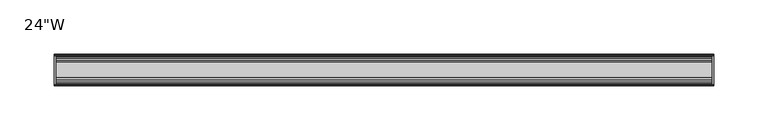
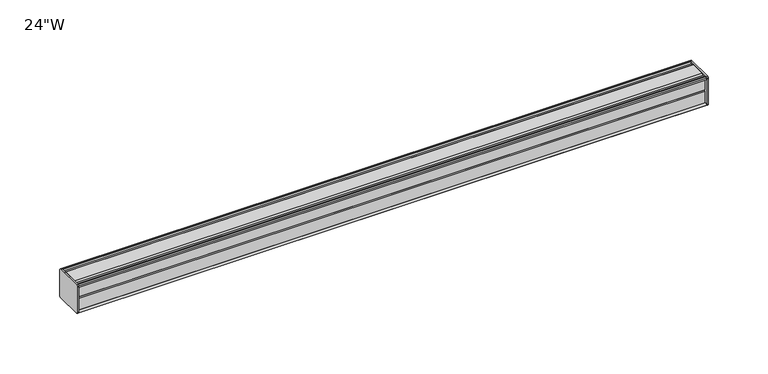
"""IFC4 building model written with IfcOpenShell, lengths in millimetres: furniture geometry."""

import ifcopenshell
import ifcopenshell.guid

model = None  # the IFC model being written
_history = None  # IfcOwnerHistory: only IFC2X3 demands one
_inside = {}  # id of a spatial element -> (the spatial element, [elements in it])
_under = {}  # id of a project, library or spatial element -> (it, [spatial elements below it])
_declared = {}  # id of a project -> (the project, [libraries it declares])
_typed = {}  # id of a type object -> (the type object, [elements of that type])
_made_of = {}  # id of a material, layer set ... -> (it, [elements and type objects made of it])


def new_model(schema):
    """Start an empty IFC model of exactly this schema.

    Asked for "IFC4X3", IfcOpenShell would pick the latest addendum, in which some entities
    have other attributes; the version numbers below select the first issue.
    IFC2X3 requires an IfcOwnerHistory on every rooted entity: one is made here for all.
    """
    global model, _history
    if schema == "IFC4X3":
        model = ifcopenshell.file(schema_version=(4, 3, 0, 0))
    else:
        model = ifcopenshell.file(schema=schema)
    _inside.clear()
    _under.clear()
    _declared.clear()
    _typed.clear()
    _made_of.clear()
    _history = None
    if model.schema == "IFC2X3":
        org = make("IfcOrganization", Name="unknown")
        user = make(
            "IfcPersonAndOrganization",
            ThePerson=make("IfcPerson", FamilyName="unknown"),
            TheOrganization=org,
        )
        app = make(
            "IfcApplication",
            ApplicationDeveloper=org,
            Version="unknown",
            ApplicationFullName="unknown",
            ApplicationIdentifier="unknown",
        )
        _history = make(
            "IfcOwnerHistory",
            OwningUser=user,
            OwningApplication=app,
            ChangeAction="ADDED",
            CreationDate=0,
        )
    return model


def make(cls, **values):
    """One entity of the class cls with the attributes given. An attribute that is None is left unset."""
    return model.create_entity(
        cls, **{name: value for name, value in values.items() if value is not None}
    )


def rooted(cls, **values):
    """An entity with a GlobalId (a new one), such as an element, a storey or a relation."""
    return make(cls, GlobalId=ifcopenshell.guid.new(), OwnerHistory=_history, **values)


def si_unit(unit_type, name, prefix=None):
    """IfcSIUnit, for example si_unit("LENGTHUNIT", "METRE", prefix="MILLI")."""
    return make("IfcSIUnit", UnitType=unit_type, Prefix=prefix, Name=name)


def assignment(units):
    """IfcUnitAssignment: the units of a project."""
    return None if units is None else make("IfcUnitAssignment", Units=units)


def point(xyz):
    """IfcCartesianPoint."""
    return None if xyz is None else make("IfcCartesianPoint", Coordinates=xyz)


def direction(xyz):
    """IfcDirection."""
    return None if xyz is None else make("IfcDirection", DirectionRatios=xyz)


def frame(location, z_axis=None, x_axis=None):
    """IfcAxis2Placement3D, a coordinate frame: its origin and axes. An axis left out is left unset."""
    return make(
        "IfcAxis2Placement3D",
        Location=point(location),
        Axis=direction(z_axis),
        RefDirection=direction(x_axis),
    )


def origin():
    """The frame at (0, 0, 0) with its axes left unset."""
    return frame((0.0, 0.0, 0.0))


def place(relative_to, where):
    """IfcLocalPlacement: puts the frame where relative to a parent placement (None: the world)."""
    return make(
        "IfcLocalPlacement", PlacementRelTo=relative_to, RelativePlacement=where
    )


def context(
    kind, dimensions, precision=None, world=None, true_north=None, identifier=None
):
    """IfcGeometricRepresentationContext, for example the 3D "Model" context."""
    return make(
        "IfcGeometricRepresentationContext",
        ContextIdentifier=identifier,
        ContextType=kind,
        CoordinateSpaceDimension=dimensions,
        Precision=precision,
        WorldCoordinateSystem=world,
        TrueNorth=true_north,
    )


def project(units=None, contexts=None):
    """IfcProject with its units and contexts."""
    return rooted(
        "IfcProject",
        Name="project",
        RepresentationContexts=contexts,
        UnitsInContext=assignment(units),
    )


def spatial(cls, under=None, at=None, **own):
    """A site, building, storey or space (cls), placed at a placement, below another one or the project."""
    s = rooted(cls, ObjectPlacement=at, **own)
    if under is not None:
        _under.setdefault(under.id(), (under, []))[1].append(s)
    return s


def circle_curve(where, radius):
    """IfcCircle in the frame where."""
    return make("IfcCircle", Position=where, Radius=radius)


def shape(context_of_items, identifier, shape_type, items):
    """IfcShapeRepresentation: the items that make up one representation, for example the "Body"."""
    return make(
        "IfcShapeRepresentation",
        ContextOfItems=context_of_items,
        RepresentationIdentifier=identifier,
        RepresentationType=shape_type,
        Items=items,
    )


def source(mapping_origin, context_of_items, identifier, shape_type, items):
    """IfcRepresentationMap: a shape defined once, which mapped items show again and again."""
    return make(
        "IfcRepresentationMap",
        MappingOrigin=mapping_origin,
        MappedRepresentation=shape(context_of_items, identifier, shape_type, items),
    )


def transform(
    local_origin,
    x_axis=None,
    y_axis=None,
    z_axis=None,
    scale=None,
    scale2=None,
    scale3=None,
    uniform=True,
):
    """IfcCartesianTransformationOperator3D, or its non-uniform kind. x_axis, y_axis, z_axis: its Axis1, 2, 3."""
    if uniform:
        return make(
            "IfcCartesianTransformationOperator3D",
            Axis1=direction(x_axis),
            Axis2=direction(y_axis),
            LocalOrigin=point(local_origin),
            Scale=scale,
            Axis3=direction(z_axis),
        )
    return make(
        "IfcCartesianTransformationOperator3DnonUniform",
        Axis1=direction(x_axis),
        Axis2=direction(y_axis),
        LocalOrigin=point(local_origin),
        Scale=scale,
        Axis3=direction(z_axis),
        Scale2=scale2,
        Scale3=scale3,
    )


def mapped(mapping_source, mapping_target):
    """IfcMappedItem: shows the shape of a source again, moved by a transform."""
    return make(
        "IfcMappedItem", MappingSource=mapping_source, MappingTarget=mapping_target
    )


def made_of(thing, what):
    """Note that an element or type object is made of a material, layer set ...; save() writes the relation."""
    if what is not None:
        _made_of.setdefault(what.id(), (what, []))[1].append(thing)
    return thing


def element(
    cls,
    number,
    at=None,
    inside=None,
    cuts=None,
    type_object=None,
    material=None,
    context=None,
    identifier="Body",
    shape_type=None,
    held_by="IfcProductDefinitionShape",
    body=None,
    shapes=None,
    **own,
):
    """One element of the class cls, such as IfcWall. Its Tag is "e" and its number.

    at: its placement. inside: the storey or other place that contains it. cuts: it is an
    opening in that element (IfcRelVoidsElement). A single representation is given by context,
    identifier, shape_type and body (its items); several are given by shapes. held_by: the class
    of the entity that holds the representations. save() writes the other relations.
    """
    e = rooted(cls, Tag="e%d" % number, ObjectPlacement=at, **own)
    if body is not None:
        shapes = [shape(context, identifier, shape_type, body)]
    if shapes is not None:
        e.Representation = make(held_by, Representations=shapes)
    if inside is not None:
        _inside.setdefault(inside.id(), (inside, []))[1].append(e)
    if cuts is not None:
        rooted(
            "IfcRelVoidsElement", RelatingBuildingElement=cuts, RelatedOpeningElement=e
        )
    if type_object is not None:
        _typed.setdefault(type_object.id(), (type_object, []))[1].append(e)
    return made_of(e, material)


def aggregate(whole, parts):
    """IfcRelAggregates: a whole, such as a stair, and the parts it consists of."""
    return rooted("IfcRelAggregates", RelatingObject=whole, RelatedObjects=parts)


def save(model, path):
    """Write the relations noted so far, then the file.

    IfcRelAggregates (storeys below a building ...), IfcRelContainedInSpatialStructure (elements
    in a storey), IfcRelDefinesByType, IfcRelAssociatesMaterial and IfcRelDeclares: one each for
    every whole, place, type object, material and project.
    """
    for whole, parts in _under.values():
        aggregate(whole, parts)
    for where, things in _inside.values():
        rooted(
            "IfcRelContainedInSpatialStructure",
            RelatedElements=things,
            RelatingStructure=where,
        )
    for kind, things in _typed.values():
        rooted("IfcRelDefinesByType", RelatedObjects=things, RelatingType=kind)
    for what, things in _made_of.values():
        rooted("IfcRelAssociatesMaterial", RelatedObjects=things, RelatingMaterial=what)
    for by, libraries in _declared.values():
        rooted("IfcRelDeclares", RelatingContext=by, RelatedDefinitions=libraries)
    model.write(path)


def plane_surface(at):
    """IfcPlane: the flat surface through the origin of the frame at, square to its z axis."""
    return make("IfcPlane", Position=at)


def cylinder_surface(at, radius):
    """IfcCylindricalSurface: all points at the distance radius from the z axis of the frame at."""
    return make("IfcCylindricalSurface", Position=at, Radius=radius)


def advanced_brep(points, edges, surfaces, faces):
    """IfcAdvancedBrep: a solid bounded by faces that lie on surfaces and meet in shared edges.

    An edge is (start, end): straight between two places in points (the first is 0);
    or (start, end, curve); or (start, end, curve, False) where it runs against its curve.
    A face is (place in surfaces, loops), or (place, loops, False) where it looks against
    its surface's normal. A loop lists edges by number (the first is 1), with a minus sign
    where the edge is run from its end to its start. The first loop is the outer one.
    """
    corners = [point(p) for p in points]
    vertices = [make("IfcVertexPoint", VertexGeometry=c) for c in corners]
    made = []
    for start, end, *more in edges:
        made.append(
            make(
                "IfcEdgeCurve",
                EdgeStart=vertices[start],
                EdgeEnd=vertices[end],
                EdgeGeometry=more[0] if more else make("IfcPolyline", Points=[corners[start], corners[end]]),
                SameSense=more[1] if len(more) > 1 else True,
            )
        )
    hull = []
    for where, loops, *sense in faces:
        bounds = []
        for j, loop in enumerate(loops):
            ring = [make("IfcOrientedEdge", EdgeElement=made[abs(k) - 1], Orientation=k > 0) for k in loop]
            bounds.append(
                make(
                    "IfcFaceOuterBound" if j == 0 else "IfcFaceBound",
                    Bound=make("IfcEdgeLoop", EdgeList=ring),
                    Orientation=True,
                )
            )
        hull.append(make("IfcAdvancedFace", Bounds=bounds, FaceSurface=surfaces[where], SameSense=sense[0] if sense else True))
    return make("IfcAdvancedBrep", Outer=make("IfcClosedShell", CfsFaces=hull))


def furniture_b3a57ba0(model_context):
    return source(origin(), model_context, "Body", "AdvancedBrep", [
        advanced_brep(
        [(303.2125, 14.5851562, 1424.7436262), (303.2125, 14.5851562, 1398.5932877), (303.2125, 14.4138595, 1397.7873997), (303.2125, 13.8374434, 1397.2109837), (303.2125, 12.9019306, 1396.9603131), (303.2125, -13.4067434, 1396.9603131), (303.2125, -14.3040014, 1397.8575711), (303.2125, -14.5851563, 1398.6259798), (303.2125, -14.5851563, 1424.5443327), (303.2125, -14.3040014, 1425.3127414), (303.2125, -13.4464303, 1426.1703125), (303.2125, 13.0500437, 1426.1703125), (303.2125, 13.8374434, 1425.9593288), (303.2125, 14.4138595, 1425.3829128), (304.8, 14.6248431, 1424.5955131), (304.8, 14.4138595, 1425.3829128), (304.8, 13.8374434, 1425.9593288), (304.8, 13.0500437, 1426.1703125), (304.8, -13.4464303, 1426.1703125), (304.8, -14.3040014, 1425.3127414), (304.8, -14.5851563, 1424.5443327), (304.8, -14.5851563, 1398.6259798), (304.8, -14.3040014, 1397.8575711), (304.8, -13.4067434, 1396.9603131), (304.8, 12.9019306, 1396.9603131), (304.8, 13.8374434, 1397.2109837), (304.8, 14.4138595, 1397.7873997), (304.8, 14.5851562, 1398.5932877)],
        [
            (0, 1),
            (1, 2),
            (2, 3),
            (3, 4),
            (4, 5),
            (5, 6),
            (6, 7, circle_curve(frame((303.2125, -13.3945313, 1398.6259798), z_axis=(-1.0, 0.0, 0.0), x_axis=(0.0, 1.0, 0.0)), 1.190625)),
            (7, 8),
            (8, 9, circle_curve(frame((303.2125, -13.3945313, 1424.5443327), z_axis=(-1.0, 0.0, 0.0), x_axis=(0.0, 1.0, 0.0)), 1.190625)),
            (9, 10),
            (10, 11),
            (11, 12),
            (12, 13),
            (13, 0),
            (14, 15),
            (15, 16),
            (16, 17),
            (17, 18),
            (18, 19),
            (19, 20, circle_curve(frame((304.8, -13.3945313, 1424.5443327), z_axis=(1.0, 0.0, 0.0), x_axis=(0.0, 1.0, 0.0)), 1.190625)),
            (20, 21),
            (21, 22, circle_curve(frame((304.8, -13.3945313, 1398.6259798), z_axis=(1.0, 0.0, 0.0), x_axis=(0.0, 1.0, 0.0)), 1.190625)),
            (22, 23),
            (23, 24),
            (24, 25),
            (25, 26),
            (26, 27),
            (27, 14),
            (13, 15),
            (14, 0),
            (12, 16),
            (11, 17),
            (10, 18),
            (9, 19),
            (8, 20),
            (7, 21),
            (6, 22),
            (5, 23),
            (4, 24),
            (3, 25),
            (2, 26),
            (1, 27),
        ],
        [
            plane_surface(frame((303.2125, 14.5851562, 1398.5932877), z_axis=(-1.0, 0.0, 0.0), x_axis=(0.0, 0.0, -1.0))),
            plane_surface(frame((304.8, 14.5851562, 1398.5932877), z_axis=(1.0, 0.0, 0.0), x_axis=(0.0, 0.0, 1.0))),
            plane_surface(frame((303.2125, 14.4138595, 1425.3829128), z_axis=(0.0, 0.9659256560349851, 0.25881968049857335), x_axis=(1.0, 0.0, 0.0))),
            plane_surface(frame((303.2125, 13.8374434, 1425.9593288), z_axis=(0.0, 0.7071067811866345, 0.7071067811864606), x_axis=(1.0, 0.0, 0.0))),
            plane_surface(frame((303.2125, 13.0500437, 1426.1703125), z_axis=(0.0, 0.2588196804711877, 0.9659256560423232), x_axis=(1.0, 0.0, 0.0))),
            plane_surface(frame((303.2125, -13.4464303, 1426.1703125), z_axis=(0.0, 0.0, 1.0), x_axis=(1.0, 0.0, 0.0))),
            plane_surface(frame((303.2125, -14.3040014, 1425.3127414), z_axis=(0.0, -0.70710678117674, 0.7071067811963553), x_axis=(1.0, 0.0, 0.0))),
            cylinder_surface(frame((304.8, -13.3945313, 1424.5443327), z_axis=(-1.0, 0.0, 0.0), x_axis=(0.0, 1.0, 0.0)), 1.190625),
            plane_surface(frame((303.2125, -14.5851563, 1398.6259798), z_axis=(0.0, -1.0, 0.0), x_axis=(1.0, 0.0, 0.0))),
            cylinder_surface(frame((304.8, -13.3945313, 1398.6259798), z_axis=(-1.0, 0.0, 0.0), x_axis=(0.0, 1.0, 0.0)), 1.190625),
            plane_surface(frame((303.2125, -13.4067434, 1396.9603131), z_axis=(0.0, -0.7071067811916553, -0.7071067811814398), x_axis=(1.0, 0.0, 0.0))),
            plane_surface(frame((303.2125, 12.9019306, 1396.9603131), z_axis=(0.0, 0.0, -1.0), x_axis=(1.0, 0.0, 0.0))),
            plane_surface(frame((303.2125, 13.8374434, 1397.2109837), z_axis=(0.0, 0.2588196804985645, -0.9659256560349875), x_axis=(1.0, 0.0, 0.0))),
            plane_surface(frame((303.2125, 14.4138595, 1397.7873997), z_axis=(0.0, 0.7071067811865204, -0.7071067811865748), x_axis=(1.0, 0.0, 0.0))),
            plane_surface(frame((303.2125, 14.5851562, 1398.5932877), z_axis=(0.0, 0.9781476007310527, -0.207911690830711), x_axis=(1.0, 0.0, 0.0))),
            plane_surface(frame((303.2125, 14.5851562, 1424.7436262), z_axis=(0.0, 1.0, 0.0), x_axis=(1.0, 0.0, 0.0))),
        ],
        [
            (0, [[1, 2, 3, 4, 5, 6, 7, 8, 9, 10, 11, 12, 13, 14]]),
            (1, [[15, 16, 17, 18, 19, 20, 21, 22, 23, 24, 25, 26, 27, 28]]),
            (2, [[-14, 29, -15, 30]]),
            (3, [[-13, 31, -16, -29]]),
            (4, [[-12, 32, -17, -31]]),
            (5, [[-11, 33, -18, -32]]),
            (6, [[-10, 34, -19, -33]]),
            (7, [[-9, 35, -20, -34]]),
            (8, [[-8, 36, -21, -35]]),
            (9, [[-7, 37, -22, -36]]),
            (10, [[-6, 38, -23, -37]]),
            (11, [[-5, 39, -24, -38]]),
            (12, [[-4, 40, -25, -39]]),
            (13, [[-3, 41, -26, -40]]),
            (14, [[-2, 42, -27, -41]]),
            (15, [[-1, -30, -28, -42]]),
        ],
    ),
        advanced_brep(
        [(-303.2125, 14.6248431, 1424.5955131), (-303.2125, 14.4138595, 1425.3829128), (-303.2125, 13.8374434, 1425.9593288), (-303.2125, 13.0500437, 1426.1703125), (-303.2125, -13.4464303, 1426.1703125), (-303.2125, -14.3040014, 1425.3127414), (-303.2125, -14.5851563, 1424.5443327), (-303.2125, -14.5851563, 1398.6259798), (-303.2125, -14.3040014, 1397.8575711), (-303.2125, -13.4067434, 1396.9603131), (-303.2125, 12.9019306, 1396.9603131), (-303.2125, 13.8374434, 1397.2109837), (-303.2125, 14.4138595, 1397.7873997), (-303.2125, 14.5851562, 1398.5932877), (-304.8, 14.5851562, 1424.7436262), (-304.8, 14.5851562, 1398.5932877), (-304.8, 14.4138595, 1397.7873997), (-304.8, 13.8374434, 1397.2109837), (-304.8, 12.9019306, 1396.9603131), (-304.8, -13.4067434, 1396.9603131), (-304.8, -14.3040014, 1397.8575711), (-304.8, -14.5851563, 1398.6259798), (-304.8, -14.5851563, 1424.5443327), (-304.8, -14.3040014, 1425.3127414), (-304.8, -13.4464303, 1426.1703125), (-304.8, 13.0500437, 1426.1703125), (-304.8, 13.8374434, 1425.9593288), (-304.8, 14.4138595, 1425.3829128)],
        [
            (0, 1),
            (1, 2),
            (2, 3),
            (3, 4),
            (4, 5),
            (5, 6, circle_curve(frame((-303.2125, -13.3945313, 1424.5443327), z_axis=(1.0, 0.0, 0.0), x_axis=(0.0, 1.0, 0.0)), 1.190625)),
            (6, 7),
            (7, 8, circle_curve(frame((-303.2125, -13.3945313, 1398.6259798), z_axis=(1.0, 0.0, 0.0), x_axis=(0.0, 1.0, 0.0)), 1.190625)),
            (8, 9),
            (9, 10),
            (10, 11),
            (11, 12),
            (12, 13),
            (13, 0),
            (14, 15),
            (15, 16),
            (16, 17),
            (17, 18),
            (18, 19),
            (19, 20),
            (20, 21, circle_curve(frame((-304.8, -13.3945313, 1398.6259798), z_axis=(-1.0, 0.0, 0.0), x_axis=(0.0, 1.0, 0.0)), 1.190625)),
            (21, 22),
            (22, 23, circle_curve(frame((-304.8, -13.3945313, 1424.5443327), z_axis=(-1.0, 0.0, 0.0), x_axis=(0.0, 1.0, 0.0)), 1.190625)),
            (23, 24),
            (24, 25),
            (25, 26),
            (26, 27),
            (27, 14),
            (0, 14),
            (27, 1),
            (26, 2),
            (25, 3),
            (24, 4),
            (23, 5),
            (22, 6),
            (21, 7),
            (20, 8),
            (19, 9),
            (18, 10),
            (17, 11),
            (16, 12),
            (15, 13),
        ],
        [
            plane_surface(frame((-303.2125, 14.6248431, 1424.5955131), z_axis=(1.0, 0.0, 0.0), x_axis=(0.0, -0.2588196804389644, 0.9659256560509574))),
            plane_surface(frame((-304.8, 14.6248431, 1424.5955131), z_axis=(-1.0, 0.0, 0.0), x_axis=(0.0, 0.2588196804389644, -0.9659256560509574))),
            plane_surface(frame((-303.2125, 14.6248431, 1424.5955131), z_axis=(0.0, 0.9659256560509574, 0.2588196804389644), x_axis=(-1.0, 0.0, 0.0))),
            plane_surface(frame((-303.2125, 14.4138595, 1425.3829128), z_axis=(0.0, 0.7071067810674612, 0.7071067813056339), x_axis=(-1.0, 0.0, 0.0))),
            plane_surface(frame((-303.2125, 13.8374434, 1425.9593288), z_axis=(0.0, 0.25881968048355775, 0.9659256560390086), x_axis=(-1.0, 0.0, 0.0))),
            plane_surface(frame((-303.2125, 13.0500437, 1426.1703125), z_axis=(0.0, 0.0, 1.0), x_axis=(-1.0, 0.0, 0.0))),
            plane_surface(frame((-303.2125, -13.4464303, 1426.1703125), z_axis=(0.0, -0.7071067811881345, 0.7071067811849606), x_axis=(-1.0, 0.0, 0.0))),
            cylinder_surface(frame((-304.8, -13.3945313, 1424.5443327), z_axis=(1.0, 0.0, 0.0), x_axis=(0.0, 1.0, 0.0)), 1.190625),
            plane_surface(frame((-303.2125, -14.5851563, 1424.5443327), z_axis=(0.0, -1.0, 0.0), x_axis=(-1.0, 0.0, 0.0))),
            cylinder_surface(frame((-304.8, -13.3945313, 1398.6259798), z_axis=(1.0, 0.0, 0.0), x_axis=(0.0, 1.0, 0.0)), 1.190625),
            plane_surface(frame((-303.2125, -14.3040014, 1397.8575711), z_axis=(0.0, -0.707106781186535, -0.7071067811865601), x_axis=(-1.0, 0.0, 0.0))),
            plane_surface(frame((-303.2125, -13.4067434, 1396.9603131), z_axis=(0.0, 0.0, -1.0), x_axis=(-1.0, 0.0, 0.0))),
            plane_surface(frame((-303.2125, 12.9019306, 1396.9603131), z_axis=(0.0, 0.25881968049856513, -0.9659256560349874), x_axis=(-1.0, 0.0, 0.0))),
            plane_surface(frame((-303.2125, 13.8374434, 1397.2109837), z_axis=(0.0, 0.707106781186519, -0.7071067811865761), x_axis=(-1.0, 0.0, 0.0))),
            plane_surface(frame((-303.2125, 14.4138595, 1397.7873997), z_axis=(0.0, 0.9781476007314348, -0.20791169082891317), x_axis=(-1.0, 0.0, 0.0))),
            plane_surface(frame((-303.2125, 14.5851562, 1398.5932877), z_axis=(0.0, 1.0, 0.0), x_axis=(-1.0, 0.0, 0.0))),
        ],
        [
            (0, [[1, 2, 3, 4, 5, 6, 7, 8, 9, 10, 11, 12, 13, 14]]),
            (1, [[15, 16, 17, 18, 19, 20, 21, 22, 23, 24, 25, 26, 27, 28]]),
            (2, [[-1, 29, -28, 30]]),
            (3, [[-2, -30, -27, 31]]),
            (4, [[-3, -31, -26, 32]]),
            (5, [[-4, -32, -25, 33]]),
            (6, [[-5, -33, -24, 34]]),
            (7, [[-6, -34, -23, 35]]),
            (8, [[-7, -35, -22, 36]]),
            (9, [[-8, -36, -21, 37]]),
            (10, [[-9, -37, -20, 38]]),
            (11, [[-10, -38, -19, 39]]),
            (12, [[-11, -39, -18, 40]]),
            (13, [[-12, -40, -17, 41]]),
            (14, [[-13, -41, -16, 42]]),
            (15, [[-14, -42, -15, -29]]),
        ],
    ),
        advanced_brep(
        [(303.2125, -7.3748315, 1426.1703125), (303.2125, -8.9105708, 1425.1395796), (303.2125, -10.7601399, 1425.1395796), (303.2125, -12.2958792, 1426.1703125), (303.2125, -13.4464303, 1426.1703125), (303.2125, -14.3040014, 1425.3127414), (303.2125, -13.3945313, 1423.3537077), (303.2125, -13.3945313, 1424.265312), (303.2125, -12.2039063, 1424.265312), (303.2125, -12.2039063, 1412.3590632), (303.2125, -11.4101564, 1411.5653134), (303.2125, -12.2039063, 1410.7715636), (303.2125, -12.2039063, 1398.8653131), (303.2125, -13.3945313, 1398.8653131), (303.2125, -13.3945313, 1399.8166048), (303.2125, -14.3040014, 1397.8575711), (303.2125, -13.4067434, 1396.9603131), (303.2125, -12.2958792, 1396.9603131), (303.2125, -10.7601399, 1397.9910471), (303.2125, -8.9105708, 1397.9910471), (303.2125, -7.4339628, 1397.0), (303.2125, 7.4145184, 1397.0), (303.2125, 8.9502576, 1398.0307329), (303.2125, 10.7998291, 1398.0307329), (303.2125, 12.2275037, 1397.0), (303.2125, 13.0500437, 1397.0), (303.2125, 13.8374434, 1397.2109837), (303.2125, 14.4138595, 1397.7873997), (303.2125, 14.5851562, 1398.5932877), (303.2125, 14.5851562, 1424.7436262), (303.2125, 14.4138595, 1425.3829128), (303.2125, 13.8374434, 1425.9593288), (303.2125, 13.0500437, 1426.1703125), (303.2125, 12.2275037, 1426.1703125), (303.2125, 10.7998291, 1425.1395796), (303.2125, 8.9502576, 1425.1395796), (303.2125, 7.4145184, 1426.1703125), (-303.2125, -7.3748315, 1426.1703125), (-303.2125, 7.4145184, 1426.1703125), (-303.2125, 8.9502576, 1425.1395796), (-303.2125, 10.7998291, 1425.1395796), (-303.2125, 12.2275037, 1426.1703125), (-303.2125, 13.0500437, 1426.1703125), (-303.2125, 13.8374434, 1425.9593288), (-303.2125, 14.4138595, 1425.3829128), (-303.2125, 14.6248431, 1424.5955131), (-303.2125, 14.5851562, 1398.5932877), (-303.2125, 14.4138595, 1397.7873997), (-303.2125, 13.8374434, 1397.2109837), (-303.2125, 13.0500437, 1397.0), (-303.2125, 12.2275037, 1397.0), (-303.2125, 10.7998291, 1398.0307329), (-303.2125, 8.9502576, 1398.0307329), (-303.2125, 7.4145184, 1397.0), (-303.2125, -7.4339628, 1397.0), (-303.2125, -8.9105708, 1397.9910471), (-303.2125, -10.7601399, 1397.9910471), (-303.2125, -12.2958792, 1396.9603131), (-303.2125, -13.4067434, 1396.9603131), (-303.2125, -14.3040014, 1397.8575711), (-303.2125, -13.3945313, 1399.8166048), (-303.2125, -13.3945313, 1398.8653131), (-303.2125, -12.2039063, 1398.8653131), (-303.2125, -12.2039063, 1410.7715636), (-303.2125, -11.4101564, 1411.5653134), (-303.2125, -12.2039063, 1412.3590632), (-303.2125, -12.2039063, 1424.265312), (-303.2125, -13.3945313, 1424.265312), (-303.2125, -13.3945313, 1423.3537077), (-303.2125, -14.3040014, 1425.3127414), (-303.2125, -13.4464303, 1426.1703125), (-303.2125, -12.2958792, 1426.1703125), (-303.2125, -10.7601399, 1425.1395796), (-303.2125, -8.9105708, 1425.1395796)],
        [
            (0, 1),
            (1, 2),
            (2, 3),
            (3, 4),
            (4, 5),
            (5, 6, circle_curve(frame((303.2125, -13.3945313, 1424.5443327), z_axis=(1.0, 0.0, 0.0), x_axis=(0.0, 1.0, 0.0)), 1.190625)),
            (6, 7),
            (7, 8),
            (8, 9),
            (9, 10),
            (10, 11),
            (11, 12),
            (12, 13),
            (13, 14),
            (14, 15, circle_curve(frame((303.2125, -13.3945313, 1398.6259798), z_axis=(1.0, 0.0, 0.0), x_axis=(0.0, 1.0, 0.0)), 1.190625)),
            (15, 16),
            (16, 17),
            (17, 18),
            (18, 19),
            (19, 20),
            (20, 21),
            (21, 22),
            (22, 23),
            (23, 24),
            (24, 25),
            (25, 26),
            (26, 27),
            (27, 28),
            (28, 29),
            (29, 30),
            (30, 31),
            (31, 32),
            (32, 33),
            (33, 34),
            (34, 35),
            (35, 36),
            (36, 0),
            (37, 38),
            (38, 39),
            (39, 40),
            (40, 41),
            (41, 42),
            (42, 43),
            (43, 44),
            (44, 45),
            (45, 46),
            (46, 47),
            (47, 48),
            (48, 49),
            (49, 50),
            (50, 51),
            (51, 52),
            (52, 53),
            (53, 54),
            (54, 55),
            (55, 56),
            (56, 57),
            (57, 58),
            (58, 59),
            (59, 60, circle_curve(frame((-303.2125, -13.3945313, 1398.6259798), z_axis=(-1.0, 0.0, 0.0), x_axis=(0.0, 1.0, 0.0)), 1.190625)),
            (60, 61),
            (61, 62),
            (62, 63),
            (63, 64),
            (64, 65),
            (65, 66),
            (66, 67),
            (67, 68),
            (68, 69, circle_curve(frame((-303.2125, -13.3945313, 1424.5443327), z_axis=(-1.0, 0.0, 0.0), x_axis=(0.0, 1.0, 0.0)), 1.190625)),
            (69, 70),
            (70, 71),
            (71, 72),
            (72, 73),
            (73, 37),
            (0, 37),
            (73, 1),
            (72, 2),
            (71, 3),
            (70, 4),
            (69, 5),
            (68, 6),
            (67, 7),
            (66, 8),
            (65, 9),
            (64, 10),
            (63, 11),
            (62, 12),
            (61, 13),
            (60, 14),
            (59, 15),
            (58, 16),
            (57, 17),
            (56, 18),
            (55, 19),
            (54, 20),
            (53, 21),
            (52, 22),
            (51, 23),
            (50, 24),
            (49, 25),
            (48, 26),
            (47, 27),
            (46, 28),
            (45, 29),
            (44, 30),
            (43, 31),
            (42, 32),
            (41, 33),
            (40, 34),
            (39, 35),
            (38, 36),
        ],
        [
            plane_surface(frame((303.2125, -7.3748315, 1426.1703125), z_axis=(1.0, 0.0, 0.0), x_axis=(0.0, -0.8303227972604669, -0.5572827400427486))),
            plane_surface(frame((-303.2125, -7.3748315, 1426.1703125), z_axis=(-1.0, 0.0, 0.0), x_axis=(0.0, 0.8303227972604669, 0.5572827400427486))),
            plane_surface(frame((303.2125, -7.3748315, 1426.1703125), z_axis=(0.0, -0.5572827400427486, 0.8303227972604669), x_axis=(-1.0, 0.0, 0.0))),
            plane_surface(frame((303.2125, -8.9105708, 1425.1395796), z_axis=(0.0, 0.0, 1.0), x_axis=(-1.0, 0.0, 0.0))),
            plane_surface(frame((303.2125, -10.7601399, 1425.1395796), z_axis=(0.0, 0.5572827400427491, 0.8303227972604665), x_axis=(-1.0, 0.0, 0.0))),
            plane_surface(frame((303.2125, -12.2958792, 1426.1703125), z_axis=(0.0, 0.0, 1.0), x_axis=(-1.0, 0.0, 0.0))),
            plane_surface(frame((303.2125, -13.4464303, 1426.1703125), z_axis=(0.0, -0.7071067811811023, 0.7071067811919929), x_axis=(-1.0, 0.0, 0.0))),
            cylinder_surface(frame((-303.2125, -13.3945313, 1424.5443327), z_axis=(1.0, 0.0, 0.0), x_axis=(0.0, 1.0, 0.0)), 1.190625),
            plane_surface(frame((303.2125, -13.3945313, 1423.3537077), z_axis=(0.0, 1.0, 0.0), x_axis=(-1.0, 0.0, 0.0))),
            plane_surface(frame((303.2125, -13.3945313, 1424.265312), z_axis=(0.0, 0.0, -1.0), x_axis=(-1.0, 0.0, 0.0))),
            plane_surface(frame((303.2125, -12.2039063, 1424.265312), z_axis=(0.0, -1.0, 0.0), x_axis=(-1.0, 0.0, 0.0))),
            plane_surface(frame((303.2125, -12.2039063, 1412.3590632), z_axis=(0.0, -0.7071067811865136, -0.7071067811865814), x_axis=(-1.0, 0.0, 0.0))),
            plane_surface(frame((303.2125, -11.4101564, 1411.5653134), z_axis=(0.0, -0.7071067811865522, 0.7071067811865428), x_axis=(-1.0, 0.0, 0.0))),
            plane_surface(frame((303.2125, -12.2039063, 1410.7715636), z_axis=(0.0, -1.0, 0.0), x_axis=(-1.0, 0.0, 0.0))),
            plane_surface(frame((303.2125, -12.2039063, 1398.8653131), z_axis=(0.0, 0.0, 1.0), x_axis=(-1.0, 0.0, 0.0))),
            plane_surface(frame((303.2125, -13.3945313, 1398.8653131), z_axis=(0.0, 1.0, 0.0), x_axis=(-1.0, 0.0, 0.0))),
            cylinder_surface(frame((-303.2125, -13.3945313, 1398.6259798), z_axis=(1.0, 0.0, 0.0), x_axis=(0.0, 1.0, 0.0)), 1.190625),
            plane_surface(frame((303.2125, -14.3040014, 1397.8575711), z_axis=(0.0, -0.7071067811865825, -0.7071067811865125), x_axis=(-1.0, 0.0, 0.0))),
            plane_surface(frame((303.2125, -13.4067434, 1396.9603131), z_axis=(0.0, 0.0, -1.0), x_axis=(-1.0, 0.0, 0.0))),
            plane_surface(frame((303.2125, -12.2958792, 1396.9603131), z_axis=(0.0, 0.5572831632988446, -0.8303225131860712), x_axis=(-1.0, 0.0, 0.0))),
            plane_surface(frame((303.2125, -10.7601399, 1397.9910471), z_axis=(0.0, 0.0, -1.0), x_axis=(-1.0, 0.0, 0.0))),
            plane_surface(frame((303.2125, -8.9105708, 1397.9910471), z_axis=(0.0, -0.5572831633038827, -0.8303225131826898), x_axis=(-1.0, 0.0, 0.0))),
            plane_surface(frame((303.2125, -7.4339628, 1397.0), z_axis=(0.0, 0.0, -1.0), x_axis=(-1.0, 0.0, 0.0))),
            plane_surface(frame((303.2125, 7.4145184, 1397.0), z_axis=(0.0, 0.5572827400524374, -0.8303227972539642), x_axis=(-1.0, 0.0, 0.0))),
            plane_surface(frame((303.2125, 8.9502576, 1398.0307329), z_axis=(0.0, 0.0, -1.0), x_axis=(-1.0, 0.0, 0.0))),
            plane_surface(frame((303.2125, 10.7998291, 1398.0307329), z_axis=(0.0, -0.5853541342124147, -0.8107777362264177), x_axis=(-1.0, 0.0, 0.0))),
            plane_surface(frame((303.2125, 12.2275037, 1397.0), z_axis=(0.0, 0.0, -1.0), x_axis=(-1.0, 0.0, 0.0))),
            plane_surface(frame((303.2125, 13.0500437, 1397.0), z_axis=(0.0, 0.2588196804985639, -0.9659256560349877), x_axis=(-1.0, 0.0, 0.0))),
            plane_surface(frame((303.2125, 13.8374434, 1397.2109837), z_axis=(0.0, 0.7071067811865567, -0.7071067811865385), x_axis=(-1.0, 0.0, 0.0))),
            plane_surface(frame((303.2125, 14.4138595, 1397.7873997), z_axis=(0.0, 0.978147600731436, -0.20791169082890776), x_axis=(-1.0, 0.0, 0.0))),
            plane_surface(frame((303.2125, 14.5851562, 1398.5932877), z_axis=(0.0, 1.0, 0.0), x_axis=(-1.0, 0.0, 0.0))),
            plane_surface(frame((303.2125, 14.6248431, 1424.5955131), z_axis=(0.0, 0.9659256560510266, 0.2588196804387059), x_axis=(-1.0, 0.0, 0.0))),
            plane_surface(frame((303.2125, 14.4138595, 1425.3829128), z_axis=(0.0, 0.7071067810668229, 0.7071067813062722), x_axis=(-1.0, 0.0, 0.0))),
            plane_surface(frame((303.2125, 13.8374434, 1425.9593288), z_axis=(0.0, 0.25881968048369114, 0.9659256560389728), x_axis=(-1.0, 0.0, 0.0))),
            plane_surface(frame((303.2125, 13.0500437, 1426.1703125), z_axis=(0.0, 0.0, 1.0), x_axis=(-1.0, 0.0, 0.0))),
            plane_surface(frame((303.2125, 12.2275037, 1426.1703125), z_axis=(0.0, -0.5853541342075637, 0.8107777362299199), x_axis=(-1.0, 0.0, 0.0))),
            plane_surface(frame((303.2125, 10.7998291, 1425.1395796), z_axis=(0.0, 0.0, 1.0), x_axis=(-1.0, 0.0, 0.0))),
            plane_surface(frame((303.2125, 8.9502576, 1425.1395796), z_axis=(0.0, 0.5572827400427491, 0.8303227972604665), x_axis=(-1.0, 0.0, 0.0))),
            plane_surface(frame((303.2125, 7.4145184, 1426.1703125), z_axis=(0.0, 0.0, 1.0), x_axis=(-1.0, 0.0, 0.0))),
        ],
        [
            (0, [[1, 2, 3, 4, 5, 6, 7, 8, 9, 10, 11, 12, 13, 14, 15, 16, 17, 18, 19, 20, 21, 22, 23, 24, 25, 26, 27, 28, 29, 30, 31, 32, 33, 34, 35, 36, 37]]),
            (1, [[38, 39, 40, 41, 42, 43, 44, 45, 46, 47, 48, 49, 50, 51, 52, 53, 54, 55, 56, 57, 58, 59, 60, 61, 62, 63, 64, 65, 66, 67, 68, 69, 70, 71, 72, 73, 74]]),
            (2, [[-1, 75, -74, 76]]),
            (3, [[-2, -76, -73, 77]]),
            (4, [[-3, -77, -72, 78]]),
            (5, [[-4, -78, -71, 79]]),
            (6, [[-5, -79, -70, 80]]),
            (7, [[-6, -80, -69, 81]]),
            (8, [[-7, -81, -68, 82]]),
            (9, [[-8, -82, -67, 83]]),
            (10, [[-9, -83, -66, 84]]),
            (11, [[-10, -84, -65, 85]]),
            (12, [[-11, -85, -64, 86]]),
            (13, [[-12, -86, -63, 87]]),
            (14, [[-13, -87, -62, 88]]),
            (15, [[-14, -88, -61, 89]]),
            (16, [[-15, -89, -60, 90]]),
            (17, [[-16, -90, -59, 91]]),
            (18, [[-17, -91, -58, 92]]),
            (19, [[-18, -92, -57, 93]]),
            (20, [[-19, -93, -56, 94]]),
            (21, [[-20, -94, -55, 95]]),
            (22, [[-21, -95, -54, 96]]),
            (23, [[-22, -96, -53, 97]]),
            (24, [[-23, -97, -52, 98]]),
            (25, [[-24, -98, -51, 99]]),
            (26, [[-25, -99, -50, 100]]),
            (27, [[-26, -100, -49, 101]]),
            (28, [[-27, -101, -48, 102]]),
            (29, [[-28, -102, -47, 103]]),
            (30, [[-29, -103, -46, 104]]),
            (31, [[-30, -104, -45, 105]]),
            (32, [[-31, -105, -44, 106]]),
            (33, [[-32, -106, -43, 107]]),
            (34, [[-33, -107, -42, 108]]),
            (35, [[-34, -108, -41, 109]]),
            (36, [[-35, -109, -40, 110]]),
            (37, [[-36, -110, -39, 111]]),
            (38, [[-37, -111, -38, -75]]),
        ],
    ),
    ])


if __name__ == "__main__":
    model = new_model("IFC4")
    model_context = context("Model", 3, world=origin())
    ifc_project = project(units=[si_unit("LENGTHUNIT", "METRE", prefix="MILLI")], contexts=[model_context])
    site = spatial("IfcSite", under=ifc_project)
    building = spatial("IfcBuilding", under=site)
    placement = place(None, origin())
    furniture_shape = furniture_b3a57ba0(model_context)
    element("IfcFurniture", 1, ObjectType="24\"W", at=placement, inside=building, context=model_context, shape_type="MappedRepresentation", body=[
        mapped(furniture_shape, transform((0.0, 0.0, 0.0), x_axis=(1.0, 0.0, 0.0), y_axis=(0.0, 1.0, 0.0), z_axis=(0.0, 0.0, 1.0))),
    ])
    save(model, "model.ifc")
